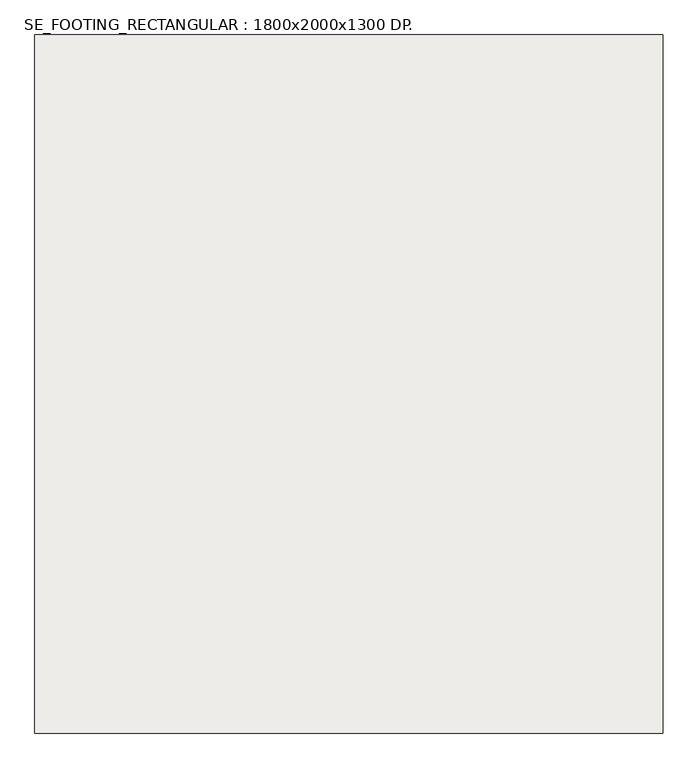
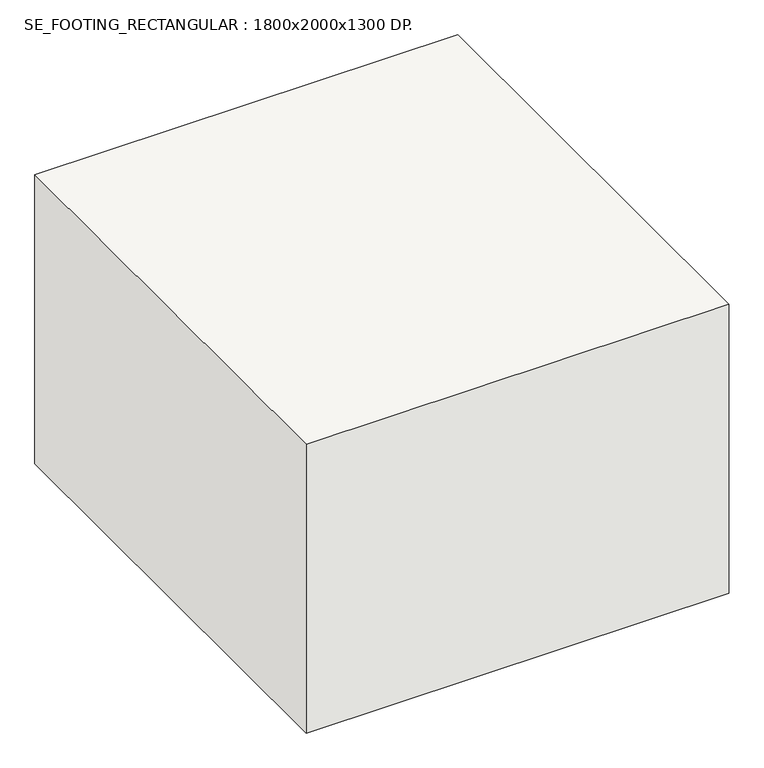
"""IFC4 building model written with IfcOpenShell, lengths in millimetres: slab geometry, SE_FOOTING_RECTANGULAR : 1800x2000x1300 DP.."""

from ifc_helpers import new_model, si_unit, frame, origin, place, context, project, spatial, polyline, outline, extrude, source, transform, mapped, element, save


def se_footing_rectangular_1800x2000x1300_dp_f67b5a3b(model_context):
    return source(origin(), model_context, "Body", "SweptSolid", [
        extrude(outline(polyline([(900.0, 1000.0), (900.0, -1000.0), (-900.0, -1000.0), (-900.0, 1000.0), (900.0, 1000.0)])), frame((0.0, 0.0, -1300.0), z_axis=(0.0, 0.0, 1.0), x_axis=(1.0, 0.0, 0.0)), (0.0, 0.0, 1.0), 1300.0),
    ])


if __name__ == "__main__":
    model = new_model("IFC4")
    model_context = context("Model", 3, world=origin())
    ifc_project = project(units=[si_unit("LENGTHUNIT", "METRE", prefix="MILLI")], contexts=[model_context])
    site = spatial("IfcSite", under=ifc_project)
    building = spatial("IfcBuilding", under=site)
    placement = place(None, origin())
    se_footing_rectangular_1800x2000x1300_dp_shape = se_footing_rectangular_1800x2000x1300_dp_f67b5a3b(model_context)
    element("IfcSlab", 1, ObjectType="SE_FOOTING_RECTANGULAR : 1800x2000x1300 DP.", at=placement, inside=building, context=model_context, shape_type="MappedRepresentation", body=[
        mapped(se_footing_rectangular_1800x2000x1300_dp_shape, transform((0.0, 0.0, 0.0), x_axis=(1.0, 0.0, 0.0), y_axis=(0.0, 1.0, 0.0), z_axis=(0.0, 0.0, 1.0))),
    ])
    save(model, "model.ifc")
